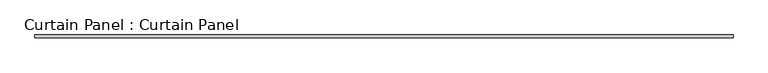
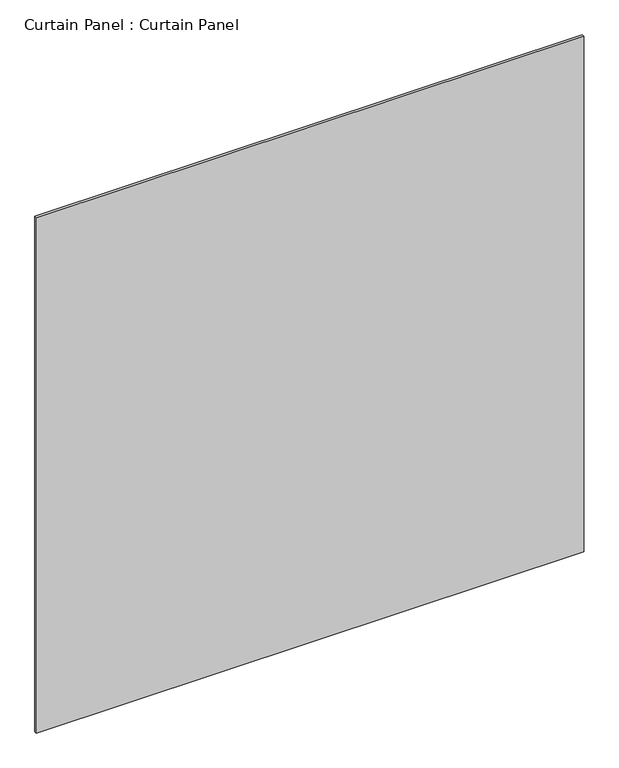
"""IFC4 building model written with IfcOpenShell, lengths in millimetres: plate geometry, Curtain Panel : Curtain Panel."""

from ifc_helpers import new_model, si_unit, frame, origin, place, context, project, spatial, polyline, outline, extrude, source, transform, mapped, element, save


def curtain_panel_curtain_panel_5a5e8cf4(model_context):
    return source(origin(), model_context, "Body", "SweptSolid", [
        extrude(outline(polyline([(-365227.9652248, 3486.6118683), (-366681.8981234, 3486.6118683), (-366681.8981234, 3492.9618683), (-365227.9652248, 3492.9618683), (-365227.9652248, 3486.6118683)])), frame((0.0, 0.0, 66.6751132), z_axis=(0.0, 0.0, 1.0), x_axis=(1.0, 0.0, 0.0)), (0.0, 0.0, 1.0), 1447.7997736),
    ])


if __name__ == "__main__":
    model = new_model("IFC4")
    model_context = context("Model", 3, world=origin())
    ifc_project = project(units=[si_unit("LENGTHUNIT", "METRE", prefix="MILLI")], contexts=[model_context])
    site = spatial("IfcSite", under=ifc_project)
    building = spatial("IfcBuilding", under=site)
    placement = place(None, origin())
    curtain_panel_curtain_panel_shape = curtain_panel_curtain_panel_5a5e8cf4(model_context)
    element("IfcPlate", 1, ObjectType="Curtain Panel : Curtain Panel", at=placement, inside=building, context=model_context, shape_type="MappedRepresentation", body=[
        mapped(curtain_panel_curtain_panel_shape, transform((0.0, 0.0, 0.0), x_axis=(1.0, 0.0, 0.0), y_axis=(0.0, 1.0, 0.0), z_axis=(0.0, 0.0, 1.0))),
    ])
    save(model, "model.ifc")
